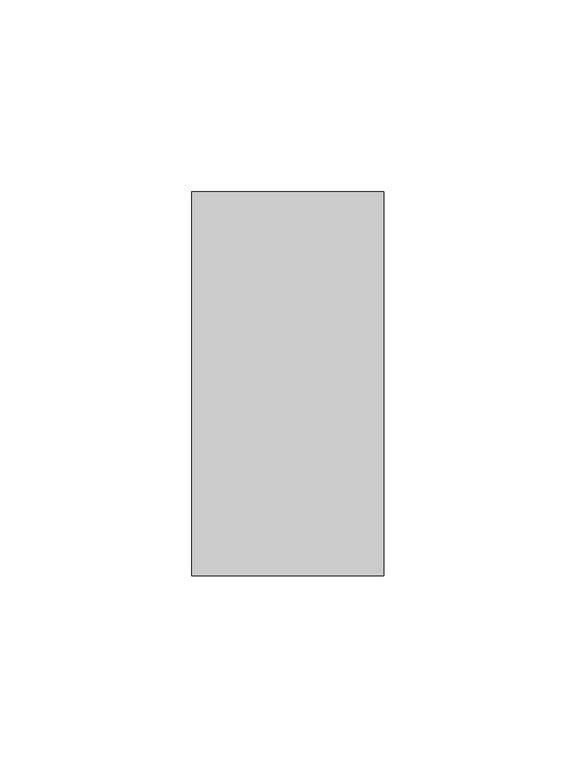
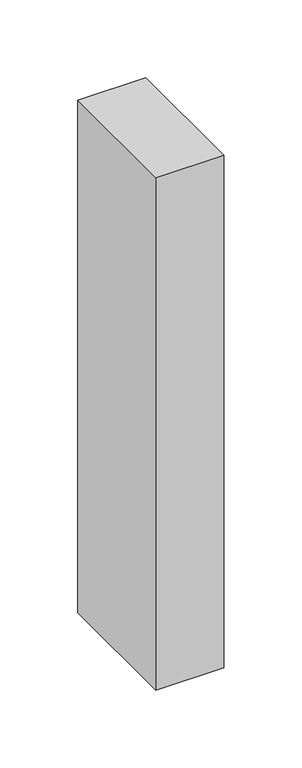
"""IFC4 building model written with IfcOpenShell, lengths in millimetres: member geometry."""

from ifc_helpers import new_model, si_unit, frame, origin, place, context, project, spatial, polyline, outline, extrude, source, transform, mapped, element, save


def member_c976c3f1(model_context):
    return source(origin(), model_context, "Body", "SweptSolid", [
        extrude(outline(polyline([(0.0, 50.0), (0.0, -50.0), (-50.0, -50.0), (-50.0, 50.0), (0.0, 50.0)])), frame((0.0, 0.0, -400.8552083), z_axis=(0.0, 0.0, 1.0), x_axis=(1.0, 0.0, 0.0)), (0.0, 0.0, 1.0), 400.8552083),
    ])


if __name__ == "__main__":
    model = new_model("IFC4")
    model_context = context("Model", 3, world=origin())
    ifc_project = project(units=[si_unit("LENGTHUNIT", "METRE", prefix="MILLI")], contexts=[model_context])
    site = spatial("IfcSite", under=ifc_project)
    building = spatial("IfcBuilding", under=site)
    placement = place(None, origin())
    member_shape = member_c976c3f1(model_context)
    element("IfcMember", 1, at=placement, inside=building, context=model_context, shape_type="MappedRepresentation", body=[
        mapped(member_shape, transform((0.0, 0.0, 0.0), x_axis=(1.0, 0.0, 0.0), y_axis=(0.0, 1.0, 0.0), z_axis=(0.0, 0.0, 1.0))),
    ])
    save(model, "model.ifc")
